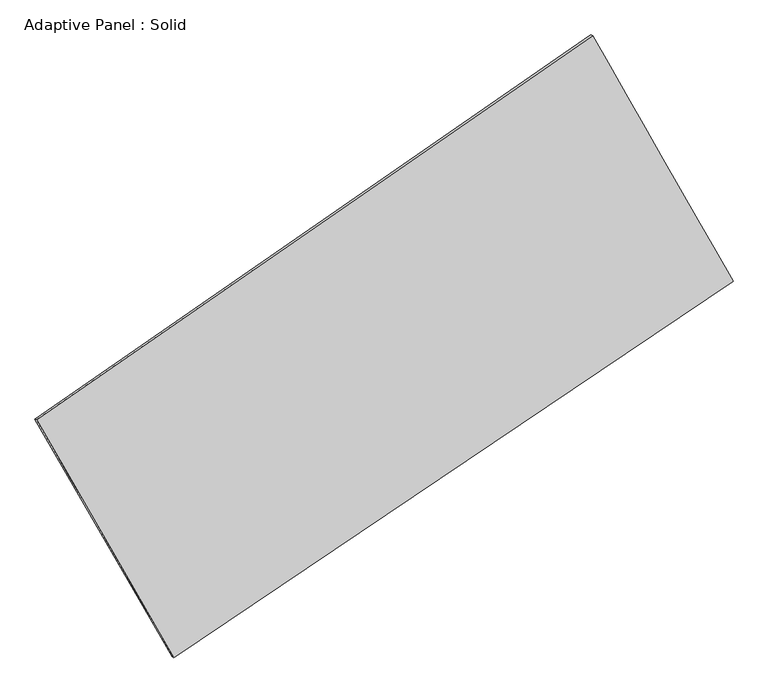
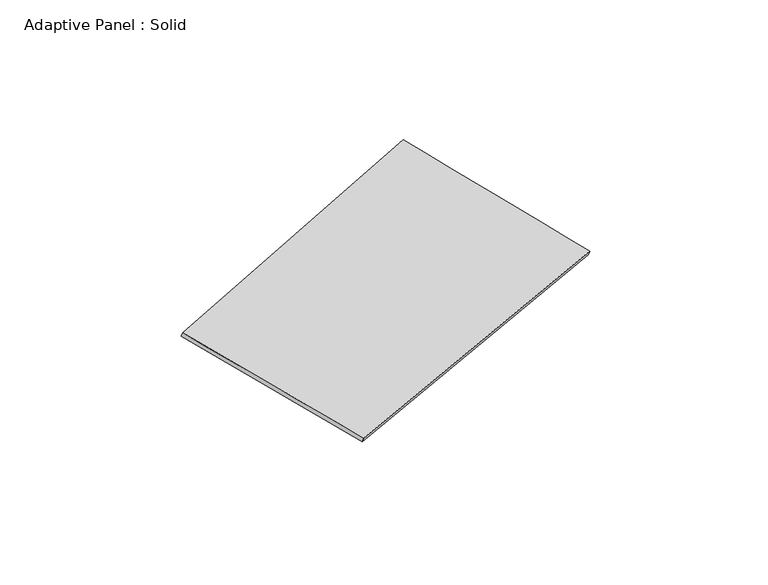
"""IFC4 building model written with IfcOpenShell, lengths in millimetres: plate geometry, Adaptive Panel : Solid."""

from ifc_helpers import new_model, si_unit, frame, origin, place, context, project, spatial, source, transform, mapped, element, save
from ifc_brep_helpers import plane_surface, spline_surface, advanced_brep


def adaptive_panel_solid_4cd768eb(model_context):
    return source(origin(), model_context, "Body", "AdvancedBrep", [
        advanced_brep(
        [(1138.8297267, 2585.6156631, 687.8892256), (-3631.9816706, -710.7960799, 1702.6932855), (-3617.3153148, -717.1761734, 1750.0661935), (1153.4960826, 2579.2355696, 735.2621337), (-2455.3992671, -2752.3553796, 1082.0446675), (-2440.7329113, -2758.7354731, 1129.4175755), (2345.2606329, 477.2872236, 12.4953416), (2359.9269887, 470.9071302, 59.8682496)],
        [
            (0, 1),
            (1, 2),
            (2, 3),
            (3, 0),
            (1, 4),
            (4, 5),
            (5, 2),
            (4, 6),
            (6, 7),
            (7, 5),
            (6, 0),
            (3, 7),
        ],
        [
            plane_surface(frame((-1246.5759719, 937.4097916, 1195.2912556), z_axis=(-0.5085328576856026, 0.81838499111851, 0.2676571294885894), x_axis=(-0.8103973720304113, -0.5599473949320631, 0.1723804348381787))),
            plane_surface(frame((-3043.6904689, -1731.5757298, 1392.3689765), z_axis=(-0.8263384913306933, -0.5322151084570504, 0.1841515030494293), x_axis=(0.48285861075898645, -0.8378371836046792, -0.2547084917808608))),
            plane_surface(frame((-55.0693171, -1137.534078, 547.2700046), z_axis=(0.4968579936462919, -0.8263451560702632, -0.2651147245797443), x_axis=(0.8158907278564698, 0.5488902586682746, -0.18177404692891233))),
            plane_surface(frame((1742.0451798, 1531.4514433, 350.1922836), z_axis=(0.8264889311207656, 0.5319531131427881, -0.1842333632992424), x_axis=(-0.47850583432150906, 0.8362248130478205, 0.2678809970181058))),
            spline_surface(1, 1, [[(-3617.3153148, -717.1761734, 1750.0661935), (1153.4960826, 2579.2355696, 735.2621337)], [(-2440.7329113, -2758.7354731, 1129.4175755), (2359.9269887, 470.9071302, 59.8682496)]], [2, 2], [2, 2], [0.0, 1.0], [0.0, 1.0]),
            spline_surface(1, 1, [[(2345.2606329, 477.2872236, 12.4953416), (1138.8297267, 2585.6156631, 687.8892256)], [(-2455.3992671, -2752.3553796, 1082.0446675), (-3631.9816706, -710.7960799, 1702.6932855)]], [2, 2], [2, 2], [0.0, 1.0], [0.0, 1.0]),
        ],
        [
            (0, [[1, 2, 3, 4]]),
            (1, [[5, 6, 7, -2]]),
            (2, [[8, 9, 10, -6]]),
            (3, [[11, -4, 12, -9]]),
            (4, [[-3, -7, -10, -12]]),
            (5, [[-11, -8, -5, -1]]),
        ],
    ),
    ])


if __name__ == "__main__":
    model = new_model("IFC4")
    model_context = context("Model", 3, world=origin())
    ifc_project = project(units=[si_unit("LENGTHUNIT", "METRE", prefix="MILLI")], contexts=[model_context])
    site = spatial("IfcSite", under=ifc_project)
    building = spatial("IfcBuilding", under=site)
    placement = place(None, origin())
    adaptive_panel_solid_shape = adaptive_panel_solid_4cd768eb(model_context)
    element("IfcPlate", 1, ObjectType="Adaptive Panel : Solid", at=placement, inside=building, context=model_context, shape_type="MappedRepresentation", body=[
        mapped(adaptive_panel_solid_shape, transform((0.0, 0.0, 0.0), x_axis=(1.0, 0.0, 0.0), y_axis=(0.0, 1.0, 0.0), z_axis=(0.0, 0.0, 1.0))),
    ])
    save(model, "model.ifc")
